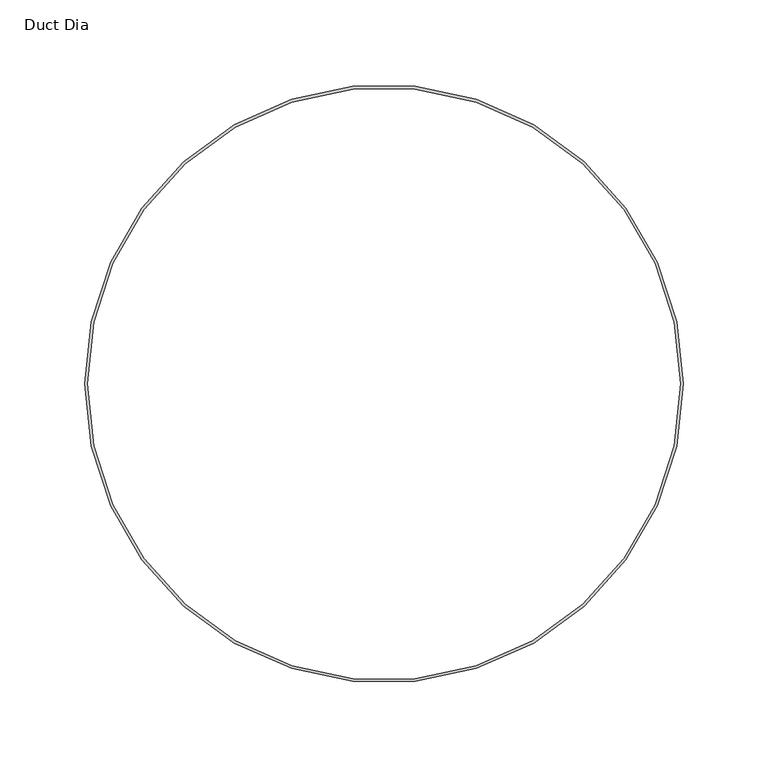
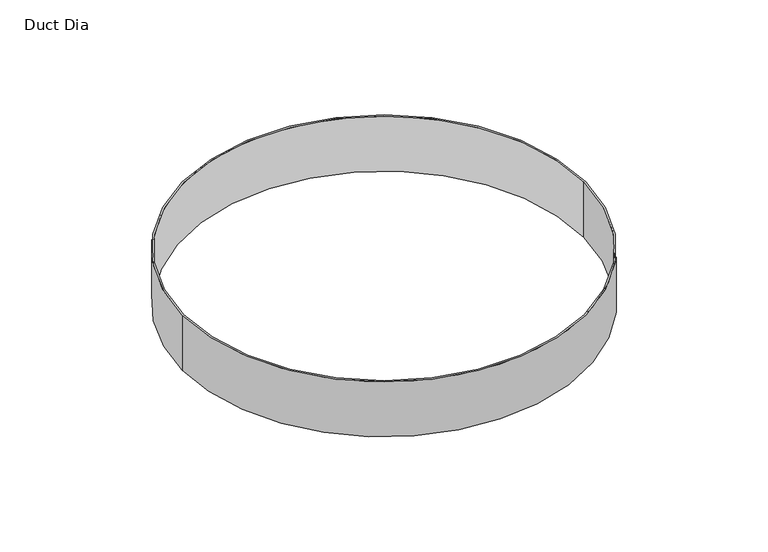
"""IFC4 building model written with IfcOpenShell, lengths in millimetres: proxy geometry, Duct Dia."""

from ifc_helpers import new_model, si_unit, point, origin, origin_with_axes, origin_2d, place, context, project, spatial, circle_curve, trimmed, segment, composite_curve, outline, extrude, source, transform, mapped, element, save


def duct_dia_64e63593(model_context):
    return source(origin(), model_context, "Body", "SweptSolid", [
        extrude(outline(composite_curve([segment(trimmed(circle_curve(origin_2d(), 176.2621094), [point((-176.2621094, 0.0))], [point((176.2621094, 0.0))], False, "CARTESIAN"), True, "CONTINUOUS"), segment(trimmed(circle_curve(origin_2d(), 176.2621094), [point((176.2621094, 0.0))], [point((-176.2621094, 0.0))], False, "CARTESIAN"), True, "CONTINUOUS")], self_intersect=False), holes=[composite_curve([segment(trimmed(circle_curve(origin_2d(), 174.6746094), [point((-174.6746094, 0.0))], [point((174.6746094, 0.0))], True, "CARTESIAN"), True, "CONTINUOUS"), segment(trimmed(circle_curve(origin_2d(), 174.6746094), [point((174.6746094, 0.0))], [point((-174.6746094, 0.0))], True, "CARTESIAN"), True, "CONTINUOUS")], self_intersect=False)]), origin_with_axes(), (0.0, 0.0, 1.0), 50.8),
    ])


if __name__ == "__main__":
    model = new_model("IFC4")
    model_context = context("Model", 3, world=origin())
    ifc_project = project(units=[si_unit("LENGTHUNIT", "METRE", prefix="MILLI")], contexts=[model_context])
    site = spatial("IfcSite", under=ifc_project)
    building = spatial("IfcBuilding", under=site)
    placement = place(None, origin())
    duct_dia_shape = duct_dia_64e63593(model_context)
    element("IfcBuildingElementProxy", 1, Name="Duct Dia", ObjectType="Duct Dia", at=placement, inside=building, context=model_context, shape_type="MappedRepresentation", body=[
        mapped(duct_dia_shape, transform((0.0, 0.0, 0.0), x_axis=(1.0, 0.0, 0.0), y_axis=(0.0, 1.0, 0.0), z_axis=(0.0, 0.0, 1.0))),
    ])
    save(model, "model.ifc")
